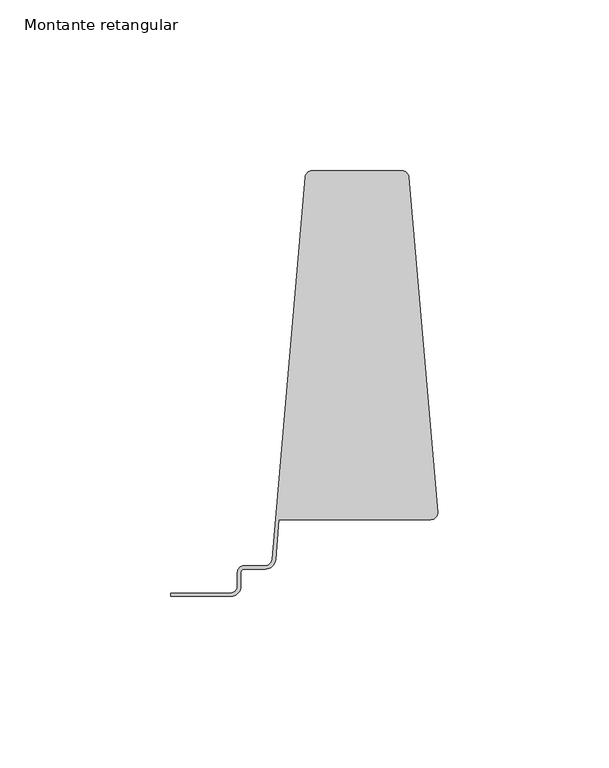
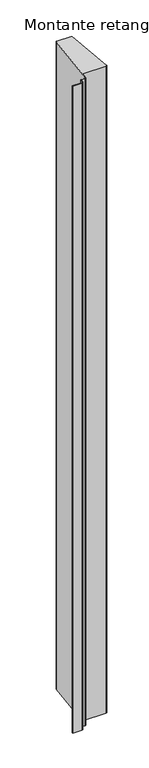
"""IFC4 building model written with IfcOpenShell, lengths in millimetres: member geometry, Montante retangular."""

from ifc_helpers import new_model, si_unit, point, frame, frame_2d, origin, place, context, project, spatial, polyline, circle_curve, trimmed, segment, composite_curve, outline, extrude, source, transform, mapped, element, save


def montante_retangular_ff1c94d4(model_context):
    return source(origin(), model_context, "Body", "SweptSolid", [
        extrude(outline(composite_curve([segment(trimmed(circle_curve(frame_2d((21.5, 11.1343872)), 2.0), [point((19.5, 11.1343872))], [point((21.5, 13.1343872))], False, "CARTESIAN"), True, "CONTINUOUS"), segment(polyline([(21.5, 13.1343872), (27.6655412, 13.1343872)]), True, "CONTINUOUS"), segment(trimmed(circle_curve(frame_2d((27.6655412, 15.1343872)), 2.0), [point((27.6655412, 13.1343872))], [point((29.6580998, 14.9620205))], True, "CARTESIAN"), True, "CONTINUOUS"), segment(polyline([(29.6580998, 14.9620205), (39.3419002, 126.9067538)]), True, "CONTINUOUS"), segment(trimmed(circle_curve(frame_2d((41.3344588, 126.7343872)), 2.0), [point((39.3419002, 126.9067538))], [point((41.3344588, 128.7343872))], False, "CARTESIAN"), True, "CONTINUOUS"), segment(polyline([(41.3344588, 128.7343872), (67.6655412, 128.7343872)]), True, "CONTINUOUS"), segment(trimmed(circle_curve(frame_2d((67.6655412, 126.7343872)), 2.0), [point((67.6655412, 128.7343872))], [point((69.6580998, 126.9067538))], False, "CARTESIAN"), True, "CONTINUOUS"), segment(polyline([(69.6580998, 126.9067538), (78.1449393, 28.7988894)]), True, "CONTINUOUS"), segment(trimmed(circle_curve(frame_2d((76.1523807, 28.6265227)), 2.0), [point((78.1449393, 28.7988894))], [point((76.1523807, 26.6265227))], False, "CARTESIAN"), True, "CONTINUOUS"), segment(polyline([(76.1523807, 26.6265227), (31.6708744, 26.6265227), (30.6543791, 14.8758372)]), True, "CONTINUOUS"), segment(trimmed(circle_curve(frame_2d((27.6655412, 15.1343872)), 3.0), [point((30.6543791, 14.8758372))], [point((27.6655412, 12.1343872))], False, "CARTESIAN"), True, "CONTINUOUS"), segment(polyline([(27.6655412, 12.1343872), (21.5, 12.1343872)]), True, "CONTINUOUS"), segment(trimmed(circle_curve(frame_2d((21.5, 11.1343872)), 1.0), [point((21.5, 12.1343872))], [point((20.5, 11.1343872))], True, "CARTESIAN"), True, "CONTINUOUS"), segment(polyline([(20.5, 11.1343872), (20.5, 7.1343872)]), True, "CONTINUOUS"), segment(trimmed(circle_curve(frame_2d((17.5, 7.1343872)), 3.0), [point((20.5, 7.1343872))], [point((17.5, 4.1343872))], False, "CARTESIAN"), True, "CONTINUOUS"), segment(polyline([(17.5, 4.1343872), (0.0, 4.1343872), (0.0, 5.1343872), (17.5, 5.1343872)]), True, "CONTINUOUS"), segment(trimmed(circle_curve(frame_2d((17.5, 7.1343872)), 2.0), [point((17.5, 5.1343872))], [point((19.5, 7.1343872))], True, "CARTESIAN"), True, "CONTINUOUS"), segment(polyline([(19.5, 7.1343872), (19.5, 11.1343872)]), True, "CONTINUOUS")], self_intersect=False)), frame((0.0, 0.0, -1300.0), z_axis=(0.0, 0.0, 1.0), x_axis=(1.0, 0.0, 0.0)), (0.0, 0.0, 1.0), 1300.0),
    ])


if __name__ == "__main__":
    model = new_model("IFC4")
    model_context = context("Model", 3, world=origin())
    ifc_project = project(units=[si_unit("LENGTHUNIT", "METRE", prefix="MILLI")], contexts=[model_context])
    site = spatial("IfcSite", under=ifc_project)
    building = spatial("IfcBuilding", under=site)
    placement = place(None, origin())
    montante_retangular_shape = montante_retangular_ff1c94d4(model_context)
    element("IfcMember", 1, ObjectType="Montante retangular", at=placement, inside=building, context=model_context, shape_type="MappedRepresentation", body=[
        mapped(montante_retangular_shape, transform((0.0, 0.0, 0.0), x_axis=(1.0, 0.0, 0.0), y_axis=(0.0, 1.0, 0.0), z_axis=(0.0, 0.0, 1.0))),
    ])
    save(model, "model.ifc")
